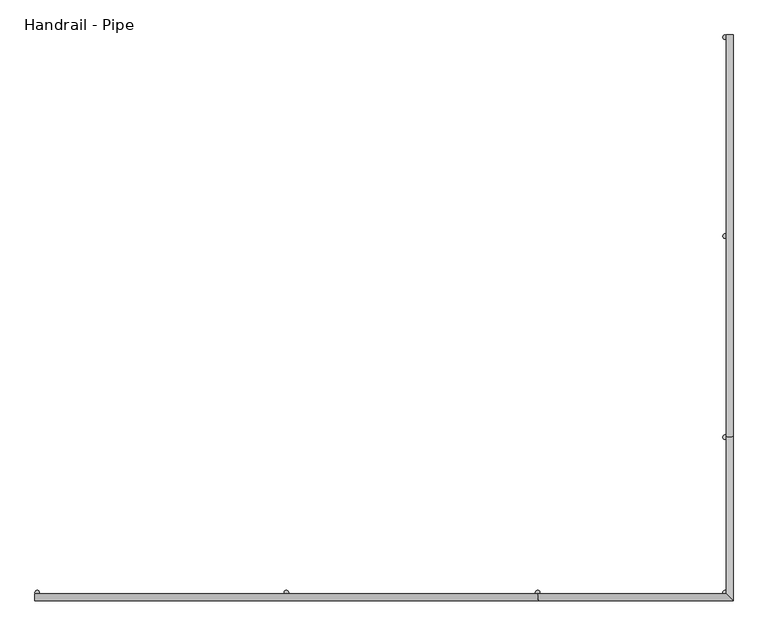
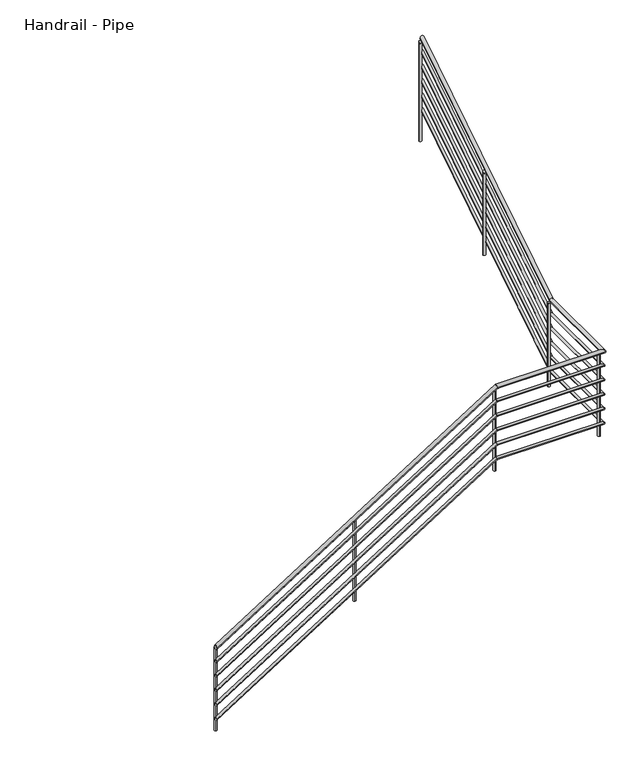
"""IFC4 building model written with IfcOpenShell, lengths in millimetres: railing geometry, Handrail - Pipe."""

from ifc_helpers import new_model, si_unit, point, frame, frame_2d, origin, place, context, project, spatial, circle_curve, ellipse_curve, trimmed, segment, composite_curve, outline, extrude, source, transform, mapped, element, save
from ifc_brep_helpers import plane_surface, cylinder_surface, advanced_brep


def handrail_pipe_1d87e9b4(model_context):
    return source(origin(), model_context, "Body", "SolidModel", [
        advanced_brep(
        [(55126.7429477, 12804.217798, 1068.3318155), (55126.7429477, 12766.117798, 1068.3318155), (57926.2550732, 12804.217798, 2836.4447368), (57926.2550732, 12766.117798, 2836.4447368), (58968.4929477, 12804.217798, 2836.4447368), (59006.5929477, 12766.117798, 2836.4447368), (58968.4929477, 13679.6799235, 2836.4447368), (59006.5929477, 13679.6799235, 2836.4447368), (58968.4929477, 15909.367798, 4244.6686576), (59006.5929477, 15909.367798, 4244.6686576)],
        [
            (0, 1, ellipse_curve(frame((55126.7429477, 12785.167798, 1068.3318155), z_axis=(-1.0, 0.0, 0.0), x_axis=(0.0, 0.0, -1.0)), 22.5313424, 19.05)),
            (1, 0, ellipse_curve(frame((55126.7429477, 12785.167798, 1068.3318155), z_axis=(-1.0, 0.0, 0.0), x_axis=(0.0, 0.0, -1.0)), 22.5313424, 19.05)),
            (0, 2),
            (2, 3, ellipse_curve(frame((57926.2550732, 12785.167798, 2836.4447368), z_axis=(-0.9605958835615972, 0.0, -0.277948823499065), x_axis=(0.2779488234990652, 0.0, -0.9605958835615973)), 19.8314404, 19.05)),
            (3, 1),
            (3, 2, ellipse_curve(frame((57926.2550732, 12785.167798, 2836.4447368), z_axis=(-0.9605958835615972, 0.0, -0.277948823499065), x_axis=(0.2779488234990652, 0.0, -0.9605958835615973)), 19.8314404, 19.05)),
            (2, 4),
            (4, 5, ellipse_curve(frame((58987.5429477, 12785.167798, 2836.4447368), z_axis=(-0.7071067811865489, -0.7071067811865461, 0.0), x_axis=(-0.7071067811865461, 0.7071067811865489, 0.0)), 26.9407684, 19.05)),
            (5, 3),
            (5, 4, ellipse_curve(frame((58987.5429477, 12785.167798, 2836.4447368), z_axis=(-0.7071067811865489, -0.7071067811865461, 0.0), x_axis=(-0.7071067811865461, 0.7071067811865489, 0.0)), 26.9407684, 19.05)),
            (4, 6),
            (6, 7, ellipse_curve(frame((58987.5429477, 13679.6799235, 2836.4447368), z_axis=(0.0, -0.9605958835615971, -0.27794882349906513), x_axis=(0.0, -0.2779488234990658, 0.9605958835615971)), 19.8314404, 19.05)),
            (7, 5),
            (7, 6, ellipse_curve(frame((58987.5429477, 13679.6799235, 2836.4447368), z_axis=(0.0, -0.9605958835615971, -0.27794882349906513), x_axis=(0.0, -0.2779488234990658, 0.9605958835615971)), 19.8314404, 19.05)),
            (8, 9, ellipse_curve(frame((58987.5429477, 15909.367798, 4244.6686576), z_axis=(0.0, 1.0, 0.0), x_axis=(0.0, 0.0, -1.0)), 22.5313424, 19.05)),
            (9, 8, ellipse_curve(frame((58987.5429477, 15909.367798, 4244.6686576), z_axis=(0.0, 1.0, 0.0), x_axis=(0.0, 0.0, -1.0)), 22.5313424, 19.05)),
            (6, 8),
            (9, 7),
        ],
        [
            plane_surface(frame((55126.7429477, 12785.167798, 1090.8631579), z_axis=(-1.0, 0.0, 0.0), x_axis=(0.0, 1.0, 0.0))),
            cylinder_surface(frame((55136.9155142, 12785.167798, 1074.7565943), z_axis=(-0.8454889030309711, 0.0, -0.5339929913879816), x_axis=(0.0, -1.0, 0.0)), 19.05),
            cylinder_surface(frame((57920.7429477, 12785.167798, 2836.4447368), z_axis=(-1.0, 0.0, 0.0), x_axis=(0.0, -1.0, 0.0)), 19.05),
            cylinder_surface(frame((58987.5429477, 12785.167798, 2836.4447368), z_axis=(0.0, -1.0, 0.0), x_axis=(1.0, 0.0, 0.0)), 19.05),
            plane_surface(frame((58987.5429477, 15909.367798, 4267.2), z_axis=(0.0, 1.0, 0.0), x_axis=(0.0, 0.0, 1.0))),
            cylinder_surface(frame((58987.5429477, 13684.3403645, 2839.3881732), z_axis=(0.0, -0.845488903030971, -0.5339929913879818), x_axis=(1.0, 0.0, 0.0)), 19.05),
        ],
        [
            (0, [[1, 2]]),
            (1, [[-1, 3, 4, 5]]),
            (1, [[-2, -5, 6, -3]]),
            (2, [[-4, 7, 8, 9]]),
            (2, [[-6, -9, 10, -7]]),
            (3, [[-8, 11, 12, 13]]),
            (3, [[-10, -13, 14, -11]]),
            (4, [[15, 16]]),
            (5, [[-12, 17, -16, 18]]),
            (5, [[-14, -18, -15, -17]]),
        ],
    ),
        advanced_brep(
        [(55126.7429477, 12797.867798, 923.4422629), (55126.7429477, 12772.467798, 923.4422629), (57924.4176981, 12797.867798, 2690.3947368), (57924.4176981, 12772.467798, 2690.3947368), (58974.8429477, 12797.867798, 2690.3947368), (59000.2429477, 12772.467798, 2690.3947368), (58974.8429477, 13677.8425483, 2690.3947368), (59000.2429477, 13677.8425483, 2690.3947368), (58974.8429477, 15909.367798, 4099.779105), (59000.2429477, 15909.367798, 4099.779105)],
        [
            (0, 1, ellipse_curve(frame((55126.7429477, 12785.167798, 923.4422629), z_axis=(-1.0, 0.0, 0.0), x_axis=(0.0, 0.0, -1.0)), 15.020895, 12.7)),
            (1, 0, ellipse_curve(frame((55126.7429477, 12785.167798, 923.4422629), z_axis=(-1.0, 0.0, 0.0), x_axis=(0.0, 0.0, -1.0)), 15.020895, 12.7)),
            (0, 2),
            (2, 3, ellipse_curve(frame((57924.4176981, 12785.167798, 2690.3947368), z_axis=(-0.9605958835615972, 0.0, -0.277948823499065), x_axis=(0.2779488234990652, 0.0, -0.9605958835615973)), 13.2209603, 12.7)),
            (3, 1),
            (3, 2, ellipse_curve(frame((57924.4176981, 12785.167798, 2690.3947368), z_axis=(-0.9605958835615972, 0.0, -0.277948823499065), x_axis=(0.2779488234990652, 0.0, -0.9605958835615973)), 13.2209603, 12.7)),
            (2, 4),
            (4, 5, ellipse_curve(frame((58987.5429477, 12785.167798, 2690.3947368), z_axis=(-0.7071067811865489, -0.7071067811865461, 0.0), x_axis=(-0.7071067811865461, 0.7071067811865489, 0.0)), 17.9605122, 12.7)),
            (5, 3),
            (5, 4, ellipse_curve(frame((58987.5429477, 12785.167798, 2690.3947368), z_axis=(-0.7071067811865489, -0.7071067811865461, 0.0), x_axis=(-0.7071067811865461, 0.7071067811865489, 0.0)), 17.9605122, 12.7)),
            (4, 6),
            (6, 7, ellipse_curve(frame((58987.5429477, 13677.8425483, 2690.3947368), z_axis=(0.0, -0.9605958835615971, -0.27794882349906513), x_axis=(0.0, -0.2779488234990658, 0.9605958835615971)), 13.2209603, 12.7)),
            (7, 5),
            (7, 6, ellipse_curve(frame((58987.5429477, 13677.8425483, 2690.3947368), z_axis=(0.0, -0.9605958835615971, -0.27794882349906513), x_axis=(0.0, -0.2779488234990658, 0.9605958835615971)), 13.2209603, 12.7)),
            (8, 9, ellipse_curve(frame((58987.5429477, 15909.367798, 4099.779105), z_axis=(0.0, 1.0, 0.0), x_axis=(0.0, 0.0, -1.0)), 15.020895, 12.7)),
            (9, 8, ellipse_curve(frame((58987.5429477, 15909.367798, 4099.779105), z_axis=(0.0, 1.0, 0.0), x_axis=(0.0, 0.0, -1.0)), 15.020895, 12.7)),
            (6, 8),
            (9, 7),
        ],
        [
            plane_surface(frame((55126.7429477, 12785.167798, 938.4631579), z_axis=(-1.0, 0.0, 0.0), x_axis=(0.0, 1.0, 0.0))),
            cylinder_surface(frame((55133.5246587, 12785.167798, 927.7254488), z_axis=(-0.8454889030309711, 0.0, -0.5339929913879816), x_axis=(0.0, -1.0, 0.0)), 12.7),
            cylinder_surface(frame((57920.7429477, 12785.167798, 2690.3947368), z_axis=(-1.0, 0.0, 0.0), x_axis=(0.0, -1.0, 0.0)), 12.7),
            cylinder_surface(frame((58987.5429477, 12785.167798, 2690.3947368), z_axis=(0.0, -1.0, 0.0), x_axis=(1.0, 0.0, 0.0)), 12.7),
            plane_surface(frame((58987.5429477, 15909.367798, 4114.8), z_axis=(0.0, 1.0, 0.0), x_axis=(0.0, 0.0, 1.0))),
            cylinder_surface(frame((58987.5429477, 13680.949509, 2692.3570278), z_axis=(0.0, -0.845488903030971, -0.5339929913879818), x_axis=(1.0, 0.0, 0.0)), 12.7),
        ],
        [
            (0, [[1, 2]]),
            (1, [[-1, 3, 4, 5]]),
            (1, [[-2, -5, 6, -3]]),
            (2, [[-4, 7, 8, 9]]),
            (2, [[-6, -9, 10, -7]]),
            (3, [[-8, 11, 12, 13]]),
            (3, [[-10, -13, 14, -11]]),
            (4, [[15, 16]]),
            (5, [[-12, 17, -16, 18]]),
            (5, [[-14, -18, -15, -17]]),
        ],
    ),
        advanced_brep(
        [(55126.7429477, 12797.867798, 771.0422629), (55126.7429477, 12772.467798, 771.0422629), (57924.4176981, 12797.867798, 2537.9947368), (57924.4176981, 12772.467798, 2537.9947368), (58974.8429477, 12797.867798, 2537.9947368), (59000.2429477, 12772.467798, 2537.9947368), (58974.8429477, 13677.8425483, 2537.9947368), (59000.2429477, 13677.8425483, 2537.9947368), (58974.8429477, 15909.367798, 3947.379105), (59000.2429477, 15909.367798, 3947.379105)],
        [
            (0, 1, ellipse_curve(frame((55126.7429477, 12785.167798, 771.0422629), z_axis=(-1.0, 0.0, 0.0), x_axis=(0.0, 0.0, -1.0)), 15.020895, 12.7)),
            (1, 0, ellipse_curve(frame((55126.7429477, 12785.167798, 771.0422629), z_axis=(-1.0, 0.0, 0.0), x_axis=(0.0, 0.0, -1.0)), 15.020895, 12.7)),
            (0, 2),
            (2, 3, ellipse_curve(frame((57924.4176981, 12785.167798, 2537.9947368), z_axis=(-0.9605958835615972, 0.0, -0.277948823499065), x_axis=(0.2779488234990652, 0.0, -0.9605958835615973)), 13.2209603, 12.7)),
            (3, 1),
            (3, 2, ellipse_curve(frame((57924.4176981, 12785.167798, 2537.9947368), z_axis=(-0.9605958835615972, 0.0, -0.277948823499065), x_axis=(0.2779488234990652, 0.0, -0.9605958835615973)), 13.2209603, 12.7)),
            (2, 4),
            (4, 5, ellipse_curve(frame((58987.5429477, 12785.167798, 2537.9947368), z_axis=(-0.7071067811865489, -0.7071067811865461, 0.0), x_axis=(-0.7071067811865461, 0.7071067811865489, 0.0)), 17.9605122, 12.7)),
            (5, 3),
            (5, 4, ellipse_curve(frame((58987.5429477, 12785.167798, 2537.9947368), z_axis=(-0.7071067811865489, -0.7071067811865461, 0.0), x_axis=(-0.7071067811865461, 0.7071067811865489, 0.0)), 17.9605122, 12.7)),
            (4, 6),
            (6, 7, ellipse_curve(frame((58987.5429477, 13677.8425483, 2537.9947368), z_axis=(0.0, -0.9605958835615971, -0.27794882349906513), x_axis=(0.0, -0.2779488234990658, 0.9605958835615971)), 13.2209603, 12.7)),
            (7, 5),
            (7, 6, ellipse_curve(frame((58987.5429477, 13677.8425483, 2537.9947368), z_axis=(0.0, -0.9605958835615971, -0.27794882349906513), x_axis=(0.0, -0.2779488234990658, 0.9605958835615971)), 13.2209603, 12.7)),
            (8, 9, ellipse_curve(frame((58987.5429477, 15909.367798, 3947.379105), z_axis=(0.0, 1.0, 0.0), x_axis=(0.0, 0.0, -1.0)), 15.020895, 12.7)),
            (9, 8, ellipse_curve(frame((58987.5429477, 15909.367798, 3947.379105), z_axis=(0.0, 1.0, 0.0), x_axis=(0.0, 0.0, -1.0)), 15.020895, 12.7)),
            (6, 8),
            (9, 7),
        ],
        [
            plane_surface(frame((55126.7429477, 12785.167798, 786.0631579), z_axis=(-1.0, 0.0, 0.0), x_axis=(0.0, 1.0, 0.0))),
            cylinder_surface(frame((55133.5246587, 12785.167798, 775.3254488), z_axis=(-0.8454889030309711, 0.0, -0.5339929913879816), x_axis=(0.0, -1.0, 0.0)), 12.7),
            cylinder_surface(frame((57920.7429477, 12785.167798, 2537.9947368), z_axis=(-1.0, 0.0, 0.0), x_axis=(0.0, -1.0, 0.0)), 12.7),
            cylinder_surface(frame((58987.5429477, 12785.167798, 2537.9947368), z_axis=(0.0, -1.0, 0.0), x_axis=(1.0, 0.0, 0.0)), 12.7),
            plane_surface(frame((58987.5429477, 15909.367798, 3962.4), z_axis=(0.0, 1.0, 0.0), x_axis=(0.0, 0.0, 1.0))),
            cylinder_surface(frame((58987.5429477, 13680.949509, 2539.9570278), z_axis=(0.0, -0.845488903030971, -0.5339929913879818), x_axis=(1.0, 0.0, 0.0)), 12.7),
        ],
        [
            (0, [[1, 2]]),
            (1, [[-1, 3, 4, 5]]),
            (1, [[-2, -5, 6, -3]]),
            (2, [[-4, 7, 8, 9]]),
            (2, [[-6, -9, 10, -7]]),
            (3, [[-8, 11, 12, 13]]),
            (3, [[-10, -13, 14, -11]]),
            (4, [[15, 16]]),
            (5, [[-12, 17, -16, 18]]),
            (5, [[-14, -18, -15, -17]]),
        ],
    ),
        advanced_brep(
        [(55126.7429477, 12797.867798, 618.6422629), (55126.7429477, 12772.467798, 618.6422629), (57924.4176981, 12797.867798, 2385.5947368), (57924.4176981, 12772.467798, 2385.5947368), (58974.8429477, 12797.867798, 2385.5947368), (59000.2429477, 12772.467798, 2385.5947368), (58974.8429477, 13677.8425483, 2385.5947368), (59000.2429477, 13677.8425483, 2385.5947368), (58974.8429477, 15909.367798, 3794.979105), (59000.2429477, 15909.367798, 3794.979105)],
        [
            (0, 1, ellipse_curve(frame((55126.7429477, 12785.167798, 618.6422629), z_axis=(-1.0, 0.0, 0.0), x_axis=(0.0, 0.0, -1.0)), 15.020895, 12.7)),
            (1, 0, ellipse_curve(frame((55126.7429477, 12785.167798, 618.6422629), z_axis=(-1.0, 0.0, 0.0), x_axis=(0.0, 0.0, -1.0)), 15.020895, 12.7)),
            (0, 2),
            (2, 3, ellipse_curve(frame((57924.4176981, 12785.167798, 2385.5947368), z_axis=(-0.9605958835615972, 0.0, -0.277948823499065), x_axis=(0.2779488234990652, 0.0, -0.9605958835615973)), 13.2209603, 12.7)),
            (3, 1),
            (3, 2, ellipse_curve(frame((57924.4176981, 12785.167798, 2385.5947368), z_axis=(-0.9605958835615972, 0.0, -0.277948823499065), x_axis=(0.2779488234990652, 0.0, -0.9605958835615973)), 13.2209603, 12.7)),
            (2, 4),
            (4, 5, ellipse_curve(frame((58987.5429477, 12785.167798, 2385.5947368), z_axis=(-0.7071067811865489, -0.7071067811865461, 0.0), x_axis=(-0.7071067811865461, 0.7071067811865489, 0.0)), 17.9605122, 12.7)),
            (5, 3),
            (5, 4, ellipse_curve(frame((58987.5429477, 12785.167798, 2385.5947368), z_axis=(-0.7071067811865489, -0.7071067811865461, 0.0), x_axis=(-0.7071067811865461, 0.7071067811865489, 0.0)), 17.9605122, 12.7)),
            (4, 6),
            (6, 7, ellipse_curve(frame((58987.5429477, 13677.8425483, 2385.5947368), z_axis=(0.0, -0.9605958835615971, -0.27794882349906513), x_axis=(0.0, -0.2779488234990658, 0.9605958835615971)), 13.2209603, 12.7)),
            (7, 5),
            (7, 6, ellipse_curve(frame((58987.5429477, 13677.8425483, 2385.5947368), z_axis=(0.0, -0.9605958835615971, -0.27794882349906513), x_axis=(0.0, -0.2779488234990658, 0.9605958835615971)), 13.2209603, 12.7)),
            (8, 9, ellipse_curve(frame((58987.5429477, 15909.367798, 3794.979105), z_axis=(0.0, 1.0, 0.0), x_axis=(0.0, 0.0, -1.0)), 15.020895, 12.7)),
            (9, 8, ellipse_curve(frame((58987.5429477, 15909.367798, 3794.979105), z_axis=(0.0, 1.0, 0.0), x_axis=(0.0, 0.0, -1.0)), 15.020895, 12.7)),
            (6, 8),
            (9, 7),
        ],
        [
            plane_surface(frame((55126.7429477, 12785.167798, 633.6631579), z_axis=(-1.0, 0.0, 0.0), x_axis=(0.0, 1.0, 0.0))),
            cylinder_surface(frame((55133.5246587, 12785.167798, 622.9254488), z_axis=(-0.8454889030309711, 0.0, -0.5339929913879816), x_axis=(0.0, -1.0, 0.0)), 12.7),
            cylinder_surface(frame((57920.7429477, 12785.167798, 2385.5947368), z_axis=(-1.0, 0.0, 0.0), x_axis=(0.0, -1.0, 0.0)), 12.7),
            cylinder_surface(frame((58987.5429477, 12785.167798, 2385.5947368), z_axis=(0.0, -1.0, 0.0), x_axis=(1.0, 0.0, 0.0)), 12.7),
            plane_surface(frame((58987.5429477, 15909.367798, 3810.0), z_axis=(0.0, 1.0, 0.0), x_axis=(0.0, 0.0, 1.0))),
            cylinder_surface(frame((58987.5429477, 13680.949509, 2387.5570278), z_axis=(0.0, -0.845488903030971, -0.5339929913879818), x_axis=(1.0, 0.0, 0.0)), 12.7),
        ],
        [
            (0, [[1, 2]]),
            (1, [[-1, 3, 4, 5]]),
            (1, [[-2, -5, 6, -3]]),
            (2, [[-4, 7, 8, 9]]),
            (2, [[-6, -9, 10, -7]]),
            (3, [[-8, 11, 12, 13]]),
            (3, [[-10, -13, 14, -11]]),
            (4, [[15, 16]]),
            (5, [[-12, 17, -16, 18]]),
            (5, [[-14, -18, -15, -17]]),
        ],
    ),
        advanced_brep(
        [(55126.7429477, 12797.867798, 466.2422629), (55126.7429477, 12772.467798, 466.2422629), (57924.4176981, 12797.867798, 2233.1947368), (57924.4176981, 12772.467798, 2233.1947368), (58974.8429477, 12797.867798, 2233.1947368), (59000.2429477, 12772.467798, 2233.1947368), (58974.8429477, 13677.8425483, 2233.1947368), (59000.2429477, 13677.8425483, 2233.1947368), (58974.8429477, 15909.367798, 3642.579105), (59000.2429477, 15909.367798, 3642.579105)],
        [
            (0, 1, ellipse_curve(frame((55126.7429477, 12785.167798, 466.2422629), z_axis=(-1.0, 0.0, 0.0), x_axis=(0.0, 0.0, -1.0)), 15.020895, 12.7)),
            (1, 0, ellipse_curve(frame((55126.7429477, 12785.167798, 466.2422629), z_axis=(-1.0, 0.0, 0.0), x_axis=(0.0, 0.0, -1.0)), 15.020895, 12.7)),
            (0, 2),
            (2, 3, ellipse_curve(frame((57924.4176981, 12785.167798, 2233.1947368), z_axis=(-0.9605958835615972, 0.0, -0.277948823499065), x_axis=(0.2779488234990652, 0.0, -0.9605958835615973)), 13.2209603, 12.7)),
            (3, 1),
            (3, 2, ellipse_curve(frame((57924.4176981, 12785.167798, 2233.1947368), z_axis=(-0.9605958835615972, 0.0, -0.277948823499065), x_axis=(0.2779488234990652, 0.0, -0.9605958835615973)), 13.2209603, 12.7)),
            (2, 4),
            (4, 5, ellipse_curve(frame((58987.5429477, 12785.167798, 2233.1947368), z_axis=(-0.7071067811865489, -0.7071067811865461, 0.0), x_axis=(-0.7071067811865461, 0.7071067811865489, 0.0)), 17.9605122, 12.7)),
            (5, 3),
            (5, 4, ellipse_curve(frame((58987.5429477, 12785.167798, 2233.1947368), z_axis=(-0.7071067811865489, -0.7071067811865461, 0.0), x_axis=(-0.7071067811865461, 0.7071067811865489, 0.0)), 17.9605122, 12.7)),
            (4, 6),
            (6, 7, ellipse_curve(frame((58987.5429477, 13677.8425483, 2233.1947368), z_axis=(0.0, -0.9605958835615971, -0.27794882349906513), x_axis=(0.0, -0.2779488234990658, 0.9605958835615971)), 13.2209603, 12.7)),
            (7, 5),
            (7, 6, ellipse_curve(frame((58987.5429477, 13677.8425483, 2233.1947368), z_axis=(0.0, -0.9605958835615971, -0.27794882349906513), x_axis=(0.0, -0.2779488234990658, 0.9605958835615971)), 13.2209603, 12.7)),
            (8, 9, ellipse_curve(frame((58987.5429477, 15909.367798, 3642.579105), z_axis=(0.0, 1.0, 0.0), x_axis=(0.0, 0.0, -1.0)), 15.020895, 12.7)),
            (9, 8, ellipse_curve(frame((58987.5429477, 15909.367798, 3642.579105), z_axis=(0.0, 1.0, 0.0), x_axis=(0.0, 0.0, -1.0)), 15.020895, 12.7)),
            (6, 8),
            (9, 7),
        ],
        [
            plane_surface(frame((55126.7429477, 12785.167798, 481.2631579), z_axis=(-1.0, 0.0, 0.0), x_axis=(0.0, 1.0, 0.0))),
            cylinder_surface(frame((55133.5246587, 12785.167798, 470.5254488), z_axis=(-0.8454889030309711, 0.0, -0.5339929913879816), x_axis=(0.0, -1.0, 0.0)), 12.7),
            cylinder_surface(frame((57920.7429477, 12785.167798, 2233.1947368), z_axis=(-1.0, 0.0, 0.0), x_axis=(0.0, -1.0, 0.0)), 12.7),
            cylinder_surface(frame((58987.5429477, 12785.167798, 2233.1947368), z_axis=(0.0, -1.0, 0.0), x_axis=(1.0, 0.0, 0.0)), 12.7),
            plane_surface(frame((58987.5429477, 15909.367798, 3657.6), z_axis=(0.0, 1.0, 0.0), x_axis=(0.0, 0.0, 1.0))),
            cylinder_surface(frame((58987.5429477, 13680.949509, 2235.1570278), z_axis=(0.0, -0.845488903030971, -0.5339929913879818), x_axis=(1.0, 0.0, 0.0)), 12.7),
        ],
        [
            (0, [[1, 2]]),
            (1, [[-1, 3, 4, 5]]),
            (1, [[-2, -5, 6, -3]]),
            (2, [[-4, 7, 8, 9]]),
            (2, [[-6, -9, 10, -7]]),
            (3, [[-8, 11, 12, 13]]),
            (3, [[-10, -13, 14, -11]]),
            (4, [[15, 16]]),
            (5, [[-12, 17, -16, 18]]),
            (5, [[-14, -18, -15, -17]]),
        ],
    ),
        advanced_brep(
        [(55126.7429477, 12797.867798, 313.8422629), (55126.7429477, 12772.467798, 313.8422629), (57924.4176981, 12797.867798, 2080.7947368), (57924.4176981, 12772.467798, 2080.7947368), (58974.8429477, 12797.867798, 2080.7947368), (59000.2429477, 12772.467798, 2080.7947368), (58974.8429477, 13677.8425483, 2080.7947368), (59000.2429477, 13677.8425483, 2080.7947368), (58974.8429477, 15909.367798, 3490.179105), (59000.2429477, 15909.367798, 3490.179105)],
        [
            (0, 1, ellipse_curve(frame((55126.7429477, 12785.167798, 313.8422629), z_axis=(-1.0, 0.0, 0.0), x_axis=(0.0, 0.0, -1.0)), 15.020895, 12.7)),
            (1, 0, ellipse_curve(frame((55126.7429477, 12785.167798, 313.8422629), z_axis=(-1.0, 0.0, 0.0), x_axis=(0.0, 0.0, -1.0)), 15.020895, 12.7)),
            (0, 2),
            (2, 3, ellipse_curve(frame((57924.4176981, 12785.167798, 2080.7947368), z_axis=(-0.9605958835615972, 0.0, -0.277948823499065), x_axis=(0.2779488234990652, 0.0, -0.9605958835615973)), 13.2209603, 12.7)),
            (3, 1),
            (3, 2, ellipse_curve(frame((57924.4176981, 12785.167798, 2080.7947368), z_axis=(-0.9605958835615972, 0.0, -0.277948823499065), x_axis=(0.2779488234990652, 0.0, -0.9605958835615973)), 13.2209603, 12.7)),
            (2, 4),
            (4, 5, ellipse_curve(frame((58987.5429477, 12785.167798, 2080.7947368), z_axis=(-0.7071067811865489, -0.7071067811865461, 0.0), x_axis=(-0.7071067811865461, 0.7071067811865489, 0.0)), 17.9605122, 12.7)),
            (5, 3),
            (5, 4, ellipse_curve(frame((58987.5429477, 12785.167798, 2080.7947368), z_axis=(-0.7071067811865489, -0.7071067811865461, 0.0), x_axis=(-0.7071067811865461, 0.7071067811865489, 0.0)), 17.9605122, 12.7)),
            (4, 6),
            (6, 7, ellipse_curve(frame((58987.5429477, 13677.8425483, 2080.7947368), z_axis=(0.0, -0.9605958835615971, -0.27794882349906513), x_axis=(0.0, -0.2779488234990658, 0.9605958835615971)), 13.2209603, 12.7)),
            (7, 5),
            (7, 6, ellipse_curve(frame((58987.5429477, 13677.8425483, 2080.7947368), z_axis=(0.0, -0.9605958835615971, -0.27794882349906513), x_axis=(0.0, -0.2779488234990658, 0.9605958835615971)), 13.2209603, 12.7)),
            (8, 9, ellipse_curve(frame((58987.5429477, 15909.367798, 3490.179105), z_axis=(0.0, 1.0, 0.0), x_axis=(0.0, 0.0, -1.0)), 15.020895, 12.7)),
            (9, 8, ellipse_curve(frame((58987.5429477, 15909.367798, 3490.179105), z_axis=(0.0, 1.0, 0.0), x_axis=(0.0, 0.0, -1.0)), 15.020895, 12.7)),
            (6, 8),
            (9, 7),
        ],
        [
            plane_surface(frame((55126.7429477, 12785.167798, 328.8631579), z_axis=(-1.0, 0.0, 0.0), x_axis=(0.0, 1.0, 0.0))),
            cylinder_surface(frame((55133.5246587, 12785.167798, 318.1254488), z_axis=(-0.8454889030309711, 0.0, -0.5339929913879816), x_axis=(0.0, -1.0, 0.0)), 12.7),
            cylinder_surface(frame((57920.7429477, 12785.167798, 2080.7947368), z_axis=(-1.0, 0.0, 0.0), x_axis=(0.0, -1.0, 0.0)), 12.7),
            cylinder_surface(frame((58987.5429477, 12785.167798, 2080.7947368), z_axis=(0.0, -1.0, 0.0), x_axis=(1.0, 0.0, 0.0)), 12.7),
            plane_surface(frame((58987.5429477, 15909.367798, 3505.2), z_axis=(0.0, 1.0, 0.0), x_axis=(0.0, 0.0, 1.0))),
            cylinder_surface(frame((58987.5429477, 13680.949509, 2082.7570278), z_axis=(0.0, -0.845488903030971, -0.5339929913879818), x_axis=(1.0, 0.0, 0.0)), 12.7),
        ],
        [
            (0, [[1, 2]]),
            (1, [[-1, 3, 4, 5]]),
            (1, [[-2, -5, 6, -3]]),
            (2, [[-4, 7, 8, 9]]),
            (2, [[-6, -9, 10, -7]]),
            (3, [[-8, 11, 12, 13]]),
            (3, [[-10, -13, 14, -11]]),
            (4, [[15, 16]]),
            (5, [[-12, 17, -16, 18]]),
            (5, [[-14, -18, -15, -17]]),
        ],
    ),
        advanced_brep(
        [(58974.8429477, 14791.767798, 3516.2846835), (58974.8429477, 14791.767798, 2646.9473684), (58949.4429477, 14791.767798, 2646.9473684), (58949.4429477, 14791.767798, 3516.2846835)],
        [
            (0, 1),
            (1, 2, circle_curve(frame((58962.1429477, 14791.767798, 2646.9473684), z_axis=(0.0, 0.0, 1.0), x_axis=(-1.0, 0.0, 0.0)), 12.7)),
            (2, 3),
            (3, 0, ellipse_curve(frame((58962.1429477, 14791.767798, 3516.2846835), z_axis=(0.0, 0.5339929913879797, -0.8454889030309725), x_axis=(0.0, 0.8454889030309723, 0.5339929913879794)), 15.020895, 12.7)),
            (0, 3, ellipse_curve(frame((58962.1429477, 14791.767798, 3516.2846835), z_axis=(0.0, 0.5339929913879797, -0.8454889030309725), x_axis=(0.0, 0.8454889030309723, 0.5339929913879794)), 15.020895, 12.7)),
            (2, 1, circle_curve(frame((58962.1429477, 14791.767798, 2646.9473684), z_axis=(0.0, 0.0, 1.0), x_axis=(-1.0, 0.0, 0.0)), 12.7)),
        ],
        [
            cylinder_surface(frame((58962.1429477, 14791.767798, 2418.3473684), z_axis=(0.0, 0.0, 1.0), x_axis=(-1.0, 0.0, 0.0)), 12.7),
            plane_surface(frame((58936.7429477, 14817.167798, 3532.3267888), z_axis=(0.0, -0.5339929913879797, 0.8454889030309725), x_axis=(1.0, 0.0, 0.0))),
            plane_surface(frame((58936.7429477, 14766.367798, 2646.9473684), z_axis=(0.0, 0.0, -1.0), x_axis=(1.0, 0.0, 0.0))),
        ],
        [
            (0, [[1, 2, 3, 4]]),
            (0, [[-1, 5, -3, 6]]),
            (1, [[-4, -5]]),
            (2, [[-2, -6]]),
        ],
    ),
        advanced_brep(
        [(56523.7429477, 12797.867798, 1928.1162625), (56523.7429477, 12797.867798, 1058.7789474), (56523.7429477, 12823.267798, 1058.7789474), (56523.7429477, 12823.267798, 1928.1162625)],
        [
            (0, 1),
            (1, 2, circle_curve(frame((56523.7429477, 12810.567798, 1058.7789474), z_axis=(0.0, 0.0, 1.0), x_axis=(0.0, 1.0, 0.0)), 12.7)),
            (2, 3),
            (3, 0, ellipse_curve(frame((56523.7429477, 12810.567798, 1928.1162625), z_axis=(0.5339929913879797, 0.0, -0.8454889030309725), x_axis=(0.8454889030309723, 0.0, 0.5339929913879794)), 15.020895, 12.7)),
            (0, 3, ellipse_curve(frame((56523.7429477, 12810.567798, 1928.1162625), z_axis=(0.5339929913879797, 0.0, -0.8454889030309725), x_axis=(0.8454889030309723, 0.0, 0.5339929913879794)), 15.020895, 12.7)),
            (2, 1, circle_curve(frame((56523.7429477, 12810.567798, 1058.7789474), z_axis=(0.0, 0.0, 1.0), x_axis=(0.0, 1.0, 0.0)), 12.7)),
        ],
        [
            cylinder_surface(frame((56523.7429477, 12810.567798, 830.1789474), z_axis=(0.0, 0.0, 1.0), x_axis=(0.0, 1.0, 0.0)), 12.7),
            plane_surface(frame((56549.1429477, 12835.967798, 1944.1583678), z_axis=(-0.5339929913879797, 0.0, 0.8454889030309725), x_axis=(0.0, -1.0, 0.0))),
            plane_surface(frame((56498.3429477, 12835.967798, 1058.7789474), z_axis=(0.0, 0.0, -1.0), x_axis=(0.0, -1.0, 0.0))),
        ],
        [
            (0, [[1, 2, 3, 4]]),
            (0, [[-1, 5, -3, 6]]),
            (1, [[-4, -5]]),
            (2, [[-2, -6]]),
        ],
    ),
        extrude(outline(composite_curve([segment(trimmed(circle_curve(frame_2d((58962.1429477, 13674.167798)), 12.7), [point((58949.4429477, 13674.167798))], [point((58974.8429477, 13674.167798))], False, "CARTESIAN"), True, "CONTINUOUS"), segment(trimmed(circle_curve(frame_2d((58962.1429477, 13674.167798)), 12.7), [point((58974.8429477, 13674.167798))], [point((58949.4429477, 13674.167798))], False, "CARTESIAN"), True, "CONTINUOUS")], self_intersect=False)), frame((0.0, 0.0, 1941.0947368), z_axis=(0.0, 0.0, 1.0), x_axis=(1.0, 0.0, 0.0)), (0.0, 0.0, 1.0), 876.3),
        extrude(outline(composite_curve([segment(trimmed(circle_curve(frame_2d((58962.1429477, 12810.567798)), 12.7), [point((58962.1429477, 12823.267798))], [point((58962.1429477, 12797.867798))], False, "CARTESIAN"), True, "CONTINUOUS"), segment(trimmed(circle_curve(frame_2d((58962.1429477, 12810.567798)), 12.7), [point((58962.1429477, 12797.867798))], [point((58962.1429477, 12823.267798))], False, "CARTESIAN"), True, "CONTINUOUS")], self_intersect=False)), frame((0.0, 0.0, 1941.0947368), z_axis=(0.0, 0.0, 1.0), x_axis=(1.0, 0.0, 0.0)), (0.0, 0.0, 1.0), 876.3),
        advanced_brep(
        [(57920.7429477, 12797.867798, 2810.432052), (57920.7429477, 12797.867798, 1941.0947368), (57920.7429477, 12823.267798, 1941.0947368), (57920.7429477, 12823.267798, 2810.432052)],
        [
            (0, 1),
            (1, 2, circle_curve(frame((57920.7429477, 12810.567798, 1941.0947368), z_axis=(0.0, 0.0, 1.0), x_axis=(0.0, 1.0, 0.0)), 12.7)),
            (2, 3),
            (3, 0, ellipse_curve(frame((57920.7429477, 12810.567798, 2810.432052), z_axis=(0.5339929913879797, 0.0, -0.8454889030309725), x_axis=(0.8454889030309723, 0.0, 0.5339929913879794)), 15.020895, 12.7)),
            (0, 3, ellipse_curve(frame((57920.7429477, 12810.567798, 2810.432052), z_axis=(0.5339929913879797, 0.0, -0.8454889030309725), x_axis=(0.8454889030309723, 0.0, 0.5339929913879794)), 15.020895, 12.7)),
            (2, 1, circle_curve(frame((57920.7429477, 12810.567798, 1941.0947368), z_axis=(0.0, 0.0, 1.0), x_axis=(0.0, 1.0, 0.0)), 12.7)),
        ],
        [
            cylinder_surface(frame((57920.7429477, 12810.567798, 1712.4947368), z_axis=(0.0, 0.0, 1.0), x_axis=(0.0, 1.0, 0.0)), 12.7),
            plane_surface(frame((57946.1429477, 12835.967798, 2826.4741572), z_axis=(-0.5339929913879797, 0.0, 0.8454889030309725), x_axis=(0.0, -1.0, 0.0))),
            plane_surface(frame((57895.3429477, 12835.967798, 1941.0947368), z_axis=(0.0, 0.0, -1.0), x_axis=(0.0, -1.0, 0.0))),
        ],
        [
            (0, [[1, 2, 3, 4]]),
            (0, [[-1, 5, -3, 6]]),
            (1, [[-4, -5]]),
            (2, [[-2, -6]]),
        ],
    ),
        advanced_brep(
        [(58974.8429477, 15896.667798, 4214.1162625), (58974.8429477, 15896.667798, 3176.3368421), (58949.4429477, 15896.667798, 3176.3368421), (58949.4429477, 15896.667798, 4214.1162625)],
        [
            (0, 1),
            (1, 2, circle_curve(frame((58962.1429477, 15896.667798, 3176.3368421), z_axis=(0.0, 0.0, 1.0), x_axis=(-1.0, 0.0, 0.0)), 12.7)),
            (2, 3),
            (3, 0, ellipse_curve(frame((58962.1429477, 15896.667798, 4214.1162625), z_axis=(0.0, 0.5339929913879797, -0.8454889030309725), x_axis=(0.0, 0.8454889030309723, 0.5339929913879794)), 15.020895, 12.7)),
            (0, 3, ellipse_curve(frame((58962.1429477, 15896.667798, 4214.1162625), z_axis=(0.0, 0.5339929913879797, -0.8454889030309725), x_axis=(0.0, 0.8454889030309723, 0.5339929913879794)), 15.020895, 12.7)),
            (2, 1, circle_curve(frame((58962.1429477, 15896.667798, 3176.3368421), z_axis=(0.0, 0.0, 1.0), x_axis=(-1.0, 0.0, 0.0)), 12.7)),
        ],
        [
            cylinder_surface(frame((58962.1429477, 15896.667798, 2947.7368421), z_axis=(0.0, 0.0, 1.0), x_axis=(-1.0, 0.0, 0.0)), 12.7),
            plane_surface(frame((58936.7429477, 15922.067798, 4230.1583678), z_axis=(0.0, -0.5339929913879797, 0.8454889030309725), x_axis=(1.0, 0.0, 0.0))),
            plane_surface(frame((58936.7429477, 15871.267798, 3176.3368421), z_axis=(0.0, 0.0, -1.0), x_axis=(1.0, 0.0, 0.0))),
        ],
        [
            (0, [[1, 2, 3, 4]]),
            (0, [[-1, 5, -3, 6]]),
            (1, [[-4, -5]]),
            (2, [[-2, -6]]),
        ],
    ),
        advanced_brep(
        [(55139.4429477, 12797.867798, 1053.8215257), (55139.4429477, 12797.867798, 176.4631579), (55139.4429477, 12823.267798, 176.4631579), (55139.4429477, 12823.267798, 1053.8215257)],
        [
            (0, 1),
            (1, 2, circle_curve(frame((55139.4429477, 12810.567798, 176.4631579), z_axis=(0.0, 0.0, 1.0), x_axis=(0.0, 1.0, 0.0)), 12.7)),
            (2, 3),
            (3, 0, ellipse_curve(frame((55139.4429477, 12810.567798, 1053.8215257), z_axis=(0.5339929913879797, 0.0, -0.8454889030309725), x_axis=(0.8454889030309723, 0.0, 0.5339929913879794)), 15.020895, 12.7)),
            (0, 3, ellipse_curve(frame((55139.4429477, 12810.567798, 1053.8215257), z_axis=(0.5339929913879797, 0.0, -0.8454889030309725), x_axis=(0.8454889030309723, 0.0, 0.5339929913879794)), 15.020895, 12.7)),
            (2, 1, circle_curve(frame((55139.4429477, 12810.567798, 176.4631579), z_axis=(0.0, 0.0, 1.0), x_axis=(0.0, 1.0, 0.0)), 12.7)),
        ],
        [
            cylinder_surface(frame((55139.4429477, 12810.567798, -52.1368421), z_axis=(0.0, 0.0, 1.0), x_axis=(0.0, 1.0, 0.0)), 12.7),
            plane_surface(frame((55164.8429477, 12835.967798, 1069.8636309), z_axis=(-0.5339929913879797, 0.0, 0.8454889030309725), x_axis=(0.0, -1.0, 0.0))),
            plane_surface(frame((55114.0429477, 12835.967798, 176.4631579), z_axis=(0.0, 0.0, -1.0), x_axis=(0.0, -1.0, 0.0))),
        ],
        [
            (0, [[1, 2, 3, 4]]),
            (0, [[-1, 5, -3, 6]]),
            (1, [[-4, -5]]),
            (2, [[-2, -6]]),
        ],
    ),
    ])


if __name__ == "__main__":
    model = new_model("IFC4")
    model_context = context("Model", 3, world=origin())
    ifc_project = project(units=[si_unit("LENGTHUNIT", "METRE", prefix="MILLI")], contexts=[model_context])
    site = spatial("IfcSite", under=ifc_project)
    building = spatial("IfcBuilding", under=site)
    placement = place(None, origin())
    handrail_pipe_shape = handrail_pipe_1d87e9b4(model_context)
    element("IfcRailing", 1, ObjectType="Handrail - Pipe", at=placement, inside=building, context=model_context, shape_type="MappedRepresentation", body=[
        mapped(handrail_pipe_shape, transform((0.0, 0.0, 0.0), x_axis=(1.0, 0.0, 0.0), y_axis=(0.0, 1.0, 0.0), z_axis=(0.0, 0.0, 1.0))),
    ])
    save(model, "model.ifc")
